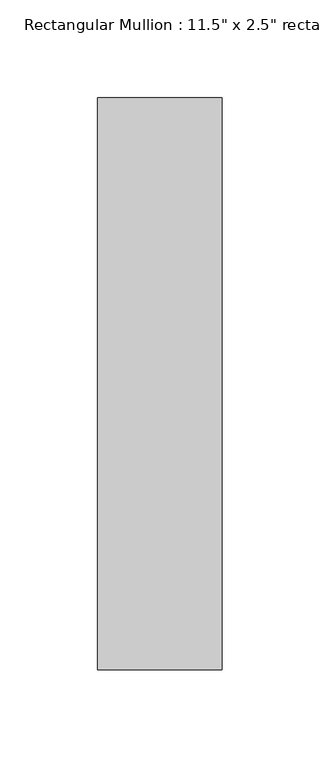
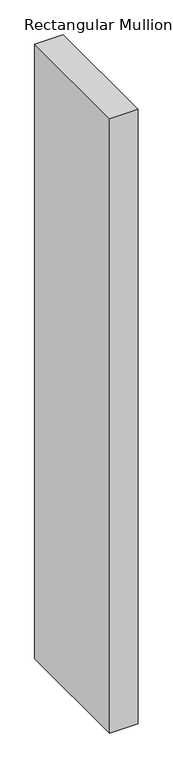
"""IFC4 building model written with IfcOpenShell, lengths in millimetres: member geometry."""

from ifc_helpers import new_model, si_unit, frame, origin, place, context, project, spatial, polyline, outline, extrude, source, transform, mapped, element, save


def member_eb84625e(model_context):
    return source(origin(), model_context, "Body", "SweptSolid", [
        extrude(outline(polyline([(0.0, 203.2), (0.0, -88.9), (-63.5, -88.9), (-63.5, 203.2), (0.0, 203.2)])), frame((0.0, 0.0, -1460.5), z_axis=(0.0, 0.0, 1.0), x_axis=(1.0, 0.0, 0.0)), (0.0, 0.0, 1.0), 1460.5),
    ])


if __name__ == "__main__":
    model = new_model("IFC4")
    model_context = context("Model", 3, world=origin())
    ifc_project = project(units=[si_unit("LENGTHUNIT", "METRE", prefix="MILLI")], contexts=[model_context])
    site = spatial("IfcSite", under=ifc_project)
    building = spatial("IfcBuilding", under=site)
    placement = place(None, origin())
    member_shape = member_eb84625e(model_context)
    element("IfcMember", 1, ObjectType="Rectangular Mullion : 11.5\" x 2.5\" rectangular", at=placement, inside=building, context=model_context, shape_type="MappedRepresentation", body=[
        mapped(member_shape, transform((0.0, 0.0, 0.0), x_axis=(1.0, 0.0, 0.0), y_axis=(0.0, 1.0, 0.0), z_axis=(0.0, 0.0, 1.0))),
    ])
    save(model, "model.ifc")
